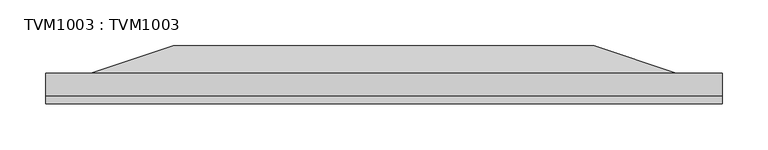
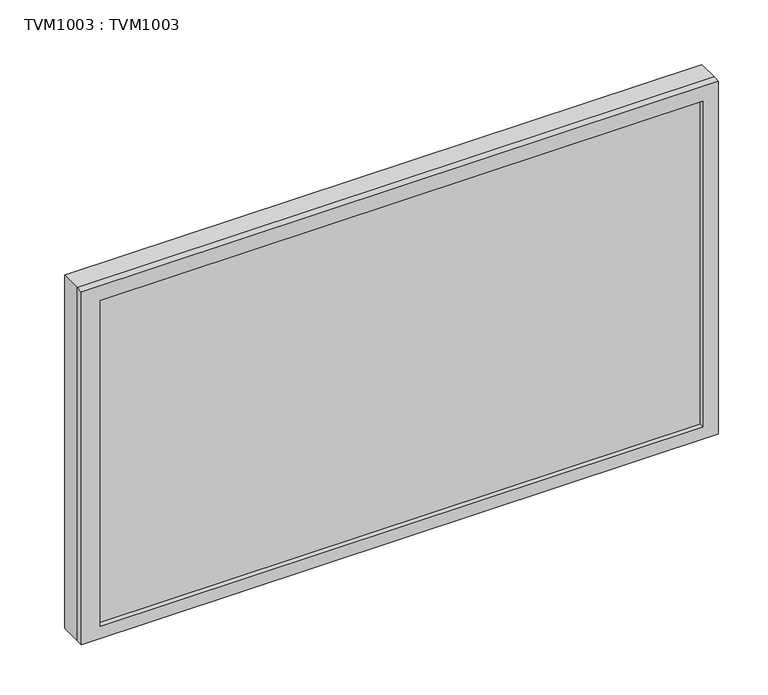
"""IFC4 building model written with IfcOpenShell, lengths in millimetres: proxy geometry, TVM1003 : TVM1003."""

from ifc_helpers import new_model, si_unit, frame, origin, place, context, project, spatial, polyline, outline, extrude, faceted_brep, source, transform, mapped, element, save


def tvm1003_tvm1003_fdd7e0af(model_context):
    return source(origin(), model_context, "Body", "SolidModel", [
        extrude(outline(polyline([(721.6715844, -55.0), (721.6715844, -57.7903082), (21.6715844, -57.7903082), (21.6715844, -55.0), (721.6715844, -55.0)])), frame((0.0, 0.0, 73.9330526), z_axis=(0.0, 0.0, 1.0), x_axis=(1.0, 0.0, 0.0)), (0.0, 0.0, 1.0), 400.0),
        extrude(outline(polyline([(492.3731302, 739.5), (492.3731302, 0.0), (58.6395754, 0.0), (58.6395754, 739.5), (492.3731302, 739.5)]), holes=[polyline([(473.9330526, 721.6715844), (73.9330526, 721.6715844), (73.9330526, 21.6715844), (473.9330526, 21.6715844), (473.9330526, 721.6715844)])]), frame((0.0, -63.5633656, 0.0), z_axis=(0.0, 1.0, 0.0), x_axis=(0.0, 0.0, 1.0)), (0.0, 0.0, 1.0), 8.5633656),
        faceted_brep([(599.4773558, 0.0, 360.6272028), (599.4773558, 0.0, 200.6272028), (139.4773558, 0.0, 200.6272028), (139.4773558, 0.0, 360.6272028), (689.2996949, -30.0, 435.0237731), (49.2996949, -30.0, 435.0237731), (49.2996949, -30.0, 115.0237731), (689.2996949, -30.0, 115.0237731)], [[[0, 1, 2, 3]], [[4, 5, 6, 7]], [[5, 4, 0, 3]], [[6, 5, 3, 2]], [[7, 6, 2, 1]], [[4, 7, 1, 0]]]),
        extrude(outline(polyline([(739.5, -30.0), (739.5, -55.0), (0.0, -55.0), (0.0, -30.0), (739.5, -30.0)])), frame((0.0, 0.0, 58.6395754), z_axis=(0.0, 0.0, 1.0), x_axis=(1.0, 0.0, 0.0)), (0.0, 0.0, 1.0), 433.7335548),
    ])


if __name__ == "__main__":
    model = new_model("IFC4")
    model_context = context("Model", 3, world=origin())
    ifc_project = project(units=[si_unit("LENGTHUNIT", "METRE", prefix="MILLI")], contexts=[model_context])
    site = spatial("IfcSite", under=ifc_project)
    building = spatial("IfcBuilding", under=site)
    placement = place(None, origin())
    tvm1003_tvm1003_shape = tvm1003_tvm1003_fdd7e0af(model_context)
    element("IfcBuildingElementProxy", 1, Name="TVM1003 : TVM1003", ObjectType="TVM1003 : TVM1003", at=placement, inside=building, context=model_context, shape_type="MappedRepresentation", body=[
        mapped(tvm1003_tvm1003_shape, transform((0.0, 0.0, 0.0), x_axis=(1.0, 0.0, 0.0), y_axis=(0.0, 1.0, 0.0), z_axis=(0.0, 0.0, 1.0))),
    ])
    save(model, "model.ifc")
